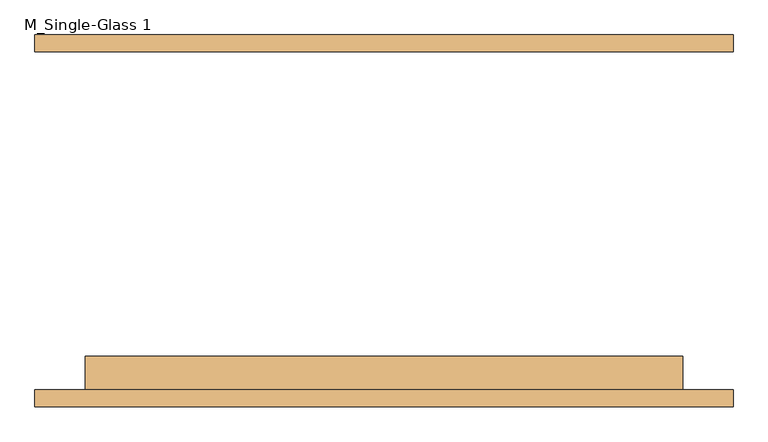
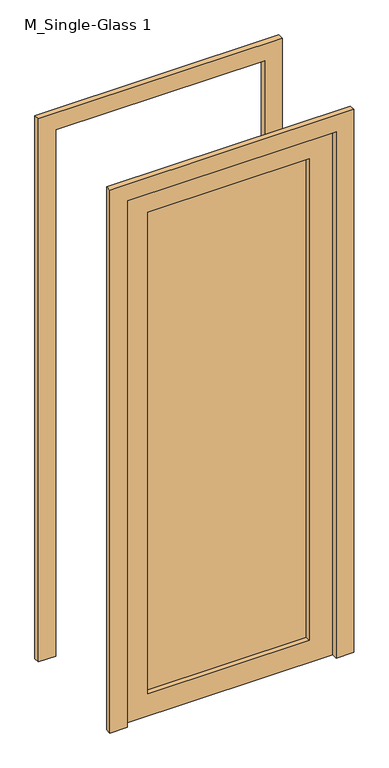
"""IFC4 building model written with IfcOpenShell, lengths in millimetres: door geometry, M_Single-Glass 1."""

from ifc_helpers import new_model, si_unit, frame, origin, place, context, project, spatial, polyline, outline, extrude, source, transform, mapped, element, save


def m_single_glass_1_4742e853(model_context):
    return source(origin(), model_context, "Body", "SweptSolid", [
        extrude(outline(polyline([(2400.0, 450.0), (0.0, 450.0), (0.0, 526.0), (2476.0, 526.0), (2476.0, -526.0), (0.0, -526.0), (0.0, -450.0), (2400.0, -450.0), (2400.0, 450.0)])), frame((0.0, 255.0, 0.0), z_axis=(0.0, 1.0, 0.0), x_axis=(0.0, 0.0, 1.0)), (0.0, 0.0, 1.0), 25.0),
        extrude(outline(polyline([(2400.0, 450.0), (0.0, 450.0), (0.0, 526.0), (2476.0, 526.0), (2476.0, -526.0), (0.0, -526.0), (0.0, -450.0), (2400.0, -450.0), (2400.0, 450.0)])), frame((0.0, -280.0, 0.0), z_axis=(0.0, 1.0, 0.0), x_axis=(0.0, 0.0, 1.0)), (0.0, 0.0, 1.0), 25.0),
        extrude(outline(polyline([(348.0, -226.425), (348.0, -232.775), (-348.0, -232.775), (-348.0, -226.425), (348.0, -226.425)])), frame((0.0, 0.0, 102.0), z_axis=(0.0, 0.0, 1.0), x_axis=(1.0, 0.0, 0.0)), (0.0, 0.0, 1.0), 2196.0),
        extrude(outline(polyline([(2400.0, 450.0), (2400.0, -450.0), (0.0, -450.0), (0.0, 450.0), (2400.0, 450.0)]), holes=[polyline([(2298.0, -348.0), (2298.0, 348.0), (102.0, 348.0), (102.0, -348.0), (2298.0, -348.0)])]), frame((0.0, -255.0, 0.0), z_axis=(0.0, 1.0, 0.0), x_axis=(0.0, 0.0, 1.0)), (0.0, 0.0, 1.0), 51.0),
    ])


if __name__ == "__main__":
    model = new_model("IFC4")
    model_context = context("Model", 3, world=origin())
    ifc_project = project(units=[si_unit("LENGTHUNIT", "METRE", prefix="MILLI")], contexts=[model_context])
    site = spatial("IfcSite", under=ifc_project)
    building = spatial("IfcBuilding", under=site)
    placement = place(None, origin())
    m_single_glass_1_shape = m_single_glass_1_4742e853(model_context)
    element("IfcDoor", 1, ObjectType="M_Single-Glass 1", at=placement, inside=building, context=model_context, shape_type="MappedRepresentation", body=[
        mapped(m_single_glass_1_shape, transform((0.0, 0.0, 0.0), x_axis=(1.0, 0.0, 0.0), y_axis=(0.0, 1.0, 0.0), z_axis=(0.0, 0.0, 1.0))),
    ])
    save(model, "model.ifc")
